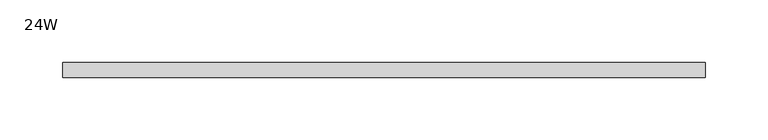
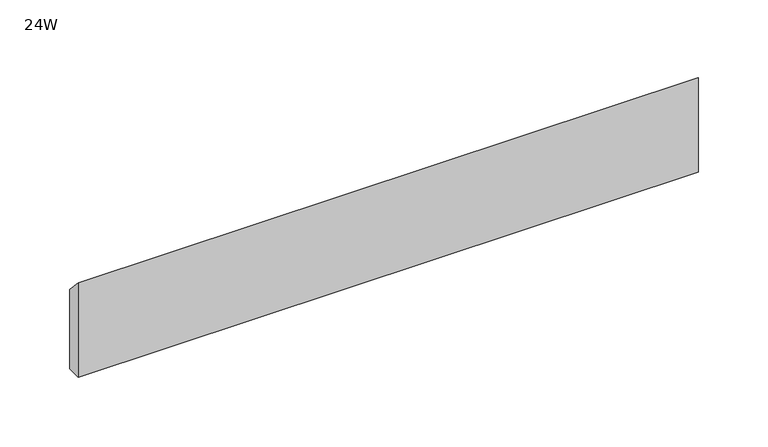
"""IFC4 building model written with IfcOpenShell, lengths in millimetres: furniture geometry, 24W."""

from ifc_helpers import new_model, si_unit, frame, origin, place, context, project, spatial, polyline, outline, extrude, source, transform, mapped, element, save


def furniture_24w_bfb626e1(model_context):
    return source(origin(), model_context, "Body", "SweptSolid", [
        extrude(outline(polyline([(-11.938, 0.254), (-11.938, 82.804), (0.0, 70.104), (0.0, 0.254), (-11.938, 0.254)])), frame((48.006, 0.0, 0.0), z_axis=(1.0, 0.0, 0.0), x_axis=(0.0, 1.0, 0.0)), (0.0, 0.0, 1.0), 513.588),
    ])


if __name__ == "__main__":
    model = new_model("IFC4")
    model_context = context("Model", 3, world=origin())
    ifc_project = project(units=[si_unit("LENGTHUNIT", "METRE", prefix="MILLI")], contexts=[model_context])
    site = spatial("IfcSite", under=ifc_project)
    building = spatial("IfcBuilding", under=site)
    placement = place(None, origin())
    furniture_24w_shape = furniture_24w_bfb626e1(model_context)
    element("IfcFurniture", 1, ObjectType="24W", at=placement, inside=building, context=model_context, shape_type="MappedRepresentation", body=[
        mapped(furniture_24w_shape, transform((0.0, 0.0, 0.0), x_axis=(1.0, 0.0, 0.0), y_axis=(0.0, 1.0, 0.0), z_axis=(0.0, 0.0, 1.0))),
    ])
    save(model, "model.ifc")
